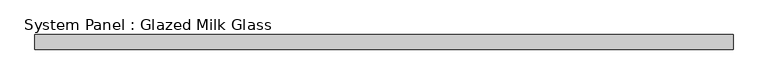
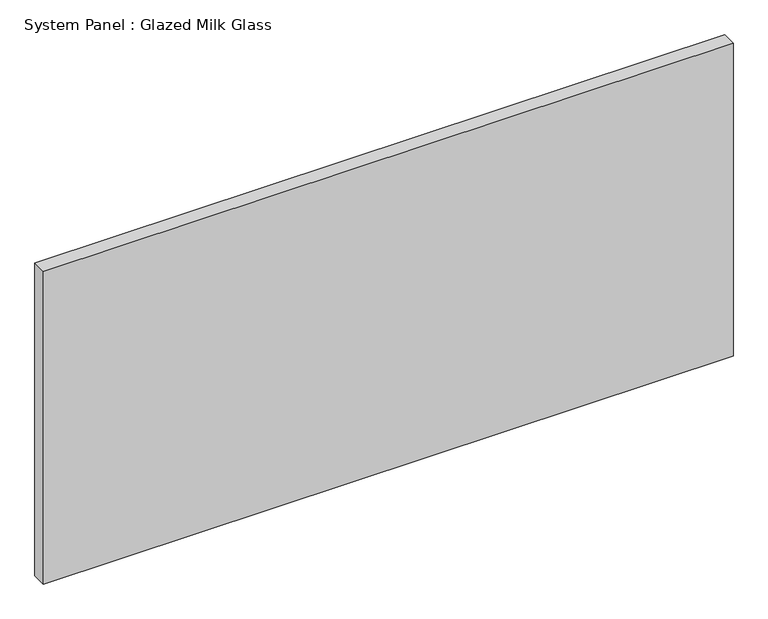
"""IFC4 building model written with IfcOpenShell, lengths in millimetres: plate geometry, System Panel : Glazed Milk Glass."""

from ifc_helpers import new_model, si_unit, origin, origin_with_axes, place, context, project, spatial, polyline, outline, extrude, source, transform, mapped, element, save


def system_panel_glazed_milk_glass_741d7b61(model_context):
    return source(origin(), model_context, "Body", "SweptSolid", [
        extrude(outline(polyline([(597.5000002, -12.5), (-597.5000002, -12.5), (-597.5000002, 12.5), (597.5000002, 12.5), (597.5000002, -12.5)])), origin_with_axes(), (0.0, 0.0, 1.0), 573.0),
    ])


if __name__ == "__main__":
    model = new_model("IFC4")
    model_context = context("Model", 3, world=origin())
    ifc_project = project(units=[si_unit("LENGTHUNIT", "METRE", prefix="MILLI")], contexts=[model_context])
    site = spatial("IfcSite", under=ifc_project)
    building = spatial("IfcBuilding", under=site)
    placement = place(None, origin())
    system_panel_glazed_milk_glass_shape = system_panel_glazed_milk_glass_741d7b61(model_context)
    element("IfcPlate", 1, ObjectType="System Panel : Glazed Milk Glass", at=placement, inside=building, context=model_context, shape_type="MappedRepresentation", body=[
        mapped(system_panel_glazed_milk_glass_shape, transform((0.0, 0.0, 0.0), x_axis=(1.0, 0.0, 0.0), y_axis=(0.0, 1.0, 0.0), z_axis=(0.0, 0.0, 1.0))),
    ])
    save(model, "model.ifc")
